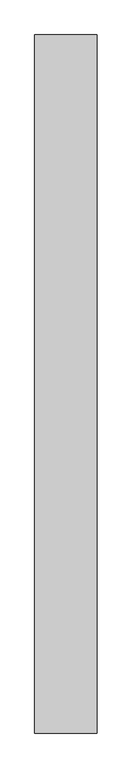
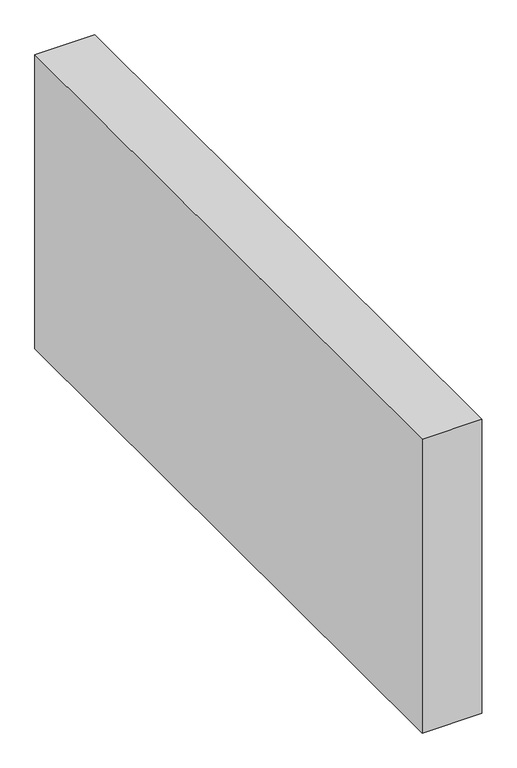
"""IFC4 building model written with IfcOpenShell, lengths in millimetres: proxy geometry."""

from ifc_helpers import new_model, si_unit, origin, origin_with_axes, place, context, project, spatial, polyline, outline, extrude, source, transform, mapped, element, save


def generic_models_be77eefc(model_context):
    return source(origin(), model_context, "Body", "SweptSolid", [
        extrude(outline(polyline([(150.0, 1676.7301098), (150.0, 0.0), (0.0, 0.0), (0.0, 1676.7301098), (150.0, 1676.7301098)])), origin_with_axes(), (0.0, 0.0, 1.0), 776.6553396),
    ])


if __name__ == "__main__":
    model = new_model("IFC4")
    model_context = context("Model", 3, world=origin())
    ifc_project = project(units=[si_unit("LENGTHUNIT", "METRE", prefix="MILLI")], contexts=[model_context])
    site = spatial("IfcSite", under=ifc_project)
    building = spatial("IfcBuilding", under=site)
    placement = place(None, origin())
    generic_models_shape = generic_models_be77eefc(model_context)
    element("IfcBuildingElementProxy", 1, Name="Generic Models", at=placement, inside=building, context=model_context, shape_type="MappedRepresentation", body=[
        mapped(generic_models_shape, transform((0.0, 0.0, 0.0), x_axis=(1.0, 0.0, 0.0), y_axis=(0.0, 1.0, 0.0), z_axis=(0.0, 0.0, 1.0))),
    ])
    save(model, "model.ifc")
